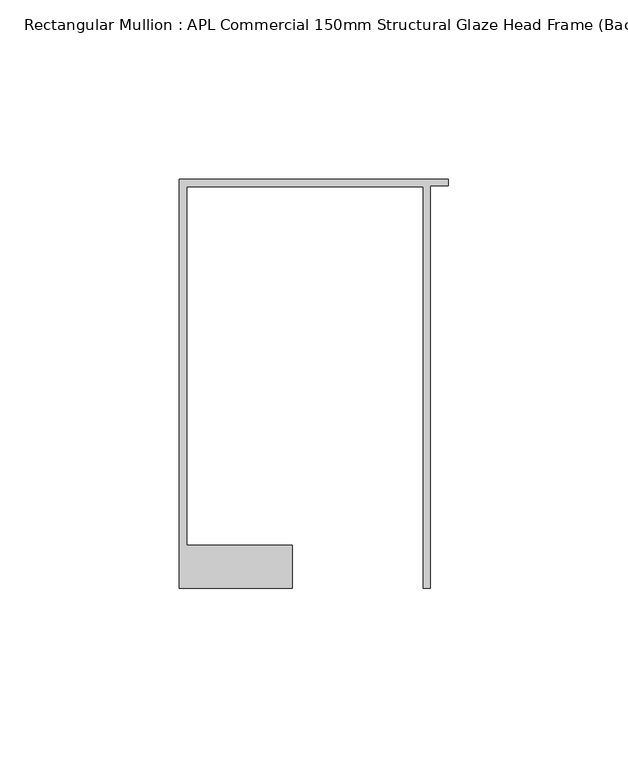
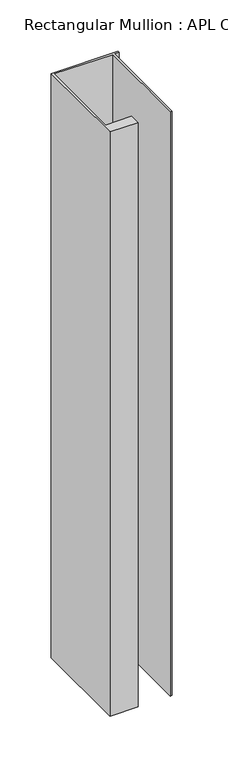
"""IFC4 building model written with IfcOpenShell, lengths in millimetres: member geometry, Rectangular Mullion : APL Commercial 150mm Structural Glaze Head Frame (Back)."""

from ifc_helpers import new_model, si_unit, frame, origin, place, context, project, spatial, polyline, outline, extrude, source, transform, mapped, element, save


def rectangular_mullion_apl_commercial_150mm_structural_glaze_779dbd84(model_context):
    return source(origin(), model_context, "Body", "SweptSolid", [
        extrude(outline(polyline([(-75.0, 128.9993063), (0.0, 128.9993063), (0.0, 127.1993063), (-5.0, 127.1993063), (-5.0, 14.9998342), (-7.0, 14.9998342), (-7.0, 126.9993063), (-73.0, 126.9993063), (-73.0, 26.9997514), (-43.5000151, 26.9997514), (-43.5000151, 14.9998342), (-75.0, 14.9998342), (-75.0, 128.9993063)])), frame((0.0, 0.0, -694.0467497), z_axis=(0.0, 0.0, 1.0), x_axis=(1.0, 0.0, 0.0)), (0.0, 0.0, 1.0), 694.0467497),
    ])


if __name__ == "__main__":
    model = new_model("IFC4")
    model_context = context("Model", 3, world=origin())
    ifc_project = project(units=[si_unit("LENGTHUNIT", "METRE", prefix="MILLI")], contexts=[model_context])
    site = spatial("IfcSite", under=ifc_project)
    building = spatial("IfcBuilding", under=site)
    placement = place(None, origin())
    rectangular_mullion_apl_commercial_150mm_structural_glaze_shape = rectangular_mullion_apl_commercial_150mm_structural_glaze_779dbd84(model_context)
    element("IfcMember", 1, ObjectType="Rectangular Mullion : APL Commercial 150mm Structural Glaze Head Frame (Back)", at=placement, inside=building, context=model_context, shape_type="MappedRepresentation", body=[
        mapped(rectangular_mullion_apl_commercial_150mm_structural_glaze_shape, transform((0.0, 0.0, 0.0), x_axis=(1.0, 0.0, 0.0), y_axis=(0.0, 1.0, 0.0), z_axis=(0.0, 0.0, 1.0))),
    ])
    save(model, "model.ifc")
